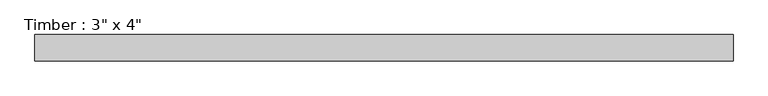
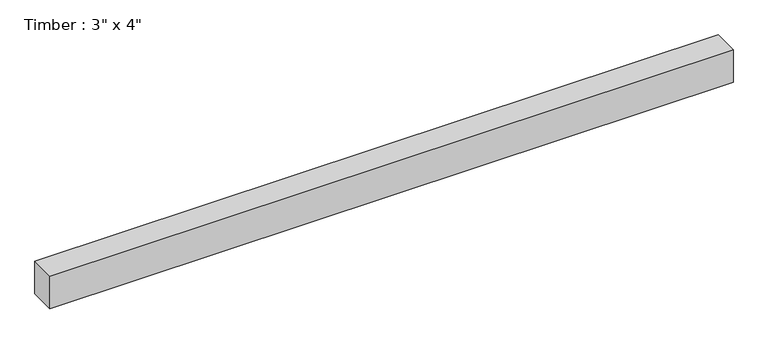
"""IFC4 building model written with IfcOpenShell, lengths in millimetres: beam geometry."""

import ifcopenshell
import ifcopenshell.guid

model = None  # the IFC model being written
_history = None  # IfcOwnerHistory: only IFC2X3 demands one
_inside = {}  # id of a spatial element -> (the spatial element, [elements in it])
_under = {}  # id of a project, library or spatial element -> (it, [spatial elements below it])
_declared = {}  # id of a project -> (the project, [libraries it declares])
_typed = {}  # id of a type object -> (the type object, [elements of that type])
_made_of = {}  # id of a material, layer set ... -> (it, [elements and type objects made of it])


def new_model(schema):
    """Start an empty IFC model of exactly this schema.

    Asked for "IFC4X3", IfcOpenShell would pick the latest addendum, in which some entities
    have other attributes; the version numbers below select the first issue.
    IFC2X3 requires an IfcOwnerHistory on every rooted entity: one is made here for all.
    """
    global model, _history
    if schema == "IFC4X3":
        model = ifcopenshell.file(schema_version=(4, 3, 0, 0))
    else:
        model = ifcopenshell.file(schema=schema)
    _inside.clear()
    _under.clear()
    _declared.clear()
    _typed.clear()
    _made_of.clear()
    _history = None
    if model.schema == "IFC2X3":
        org = make("IfcOrganization", Name="unknown")
        user = make(
            "IfcPersonAndOrganization",
            ThePerson=make("IfcPerson", FamilyName="unknown"),
            TheOrganization=org,
        )
        app = make(
            "IfcApplication",
            ApplicationDeveloper=org,
            Version="unknown",
            ApplicationFullName="unknown",
            ApplicationIdentifier="unknown",
        )
        _history = make(
            "IfcOwnerHistory",
            OwningUser=user,
            OwningApplication=app,
            ChangeAction="ADDED",
            CreationDate=0,
        )
    return model


def make(cls, **values):
    """One entity of the class cls with the attributes given. An attribute that is None is left unset."""
    return model.create_entity(
        cls, **{name: value for name, value in values.items() if value is not None}
    )


def rooted(cls, **values):
    """An entity with a GlobalId (a new one), such as an element, a storey or a relation."""
    return make(cls, GlobalId=ifcopenshell.guid.new(), OwnerHistory=_history, **values)


def si_unit(unit_type, name, prefix=None):
    """IfcSIUnit, for example si_unit("LENGTHUNIT", "METRE", prefix="MILLI")."""
    return make("IfcSIUnit", UnitType=unit_type, Prefix=prefix, Name=name)


def assignment(units):
    """IfcUnitAssignment: the units of a project."""
    return None if units is None else make("IfcUnitAssignment", Units=units)


def point(xyz):
    """IfcCartesianPoint."""
    return None if xyz is None else make("IfcCartesianPoint", Coordinates=xyz)


def direction(xyz):
    """IfcDirection."""
    return None if xyz is None else make("IfcDirection", DirectionRatios=xyz)


def frame(location, z_axis=None, x_axis=None):
    """IfcAxis2Placement3D, a coordinate frame: its origin and axes. An axis left out is left unset."""
    return make(
        "IfcAxis2Placement3D",
        Location=point(location),
        Axis=direction(z_axis),
        RefDirection=direction(x_axis),
    )


def origin():
    """The frame at (0, 0, 0) with its axes left unset."""
    return frame((0.0, 0.0, 0.0))


def place(relative_to, where):
    """IfcLocalPlacement: puts the frame where relative to a parent placement (None: the world)."""
    return make(
        "IfcLocalPlacement", PlacementRelTo=relative_to, RelativePlacement=where
    )


def context(
    kind, dimensions, precision=None, world=None, true_north=None, identifier=None
):
    """IfcGeometricRepresentationContext, for example the 3D "Model" context."""
    return make(
        "IfcGeometricRepresentationContext",
        ContextIdentifier=identifier,
        ContextType=kind,
        CoordinateSpaceDimension=dimensions,
        Precision=precision,
        WorldCoordinateSystem=world,
        TrueNorth=true_north,
    )


def project(units=None, contexts=None):
    """IfcProject with its units and contexts."""
    return rooted(
        "IfcProject",
        Name="project",
        RepresentationContexts=contexts,
        UnitsInContext=assignment(units),
    )


def spatial(cls, under=None, at=None, **own):
    """A site, building, storey or space (cls), placed at a placement, below another one or the project."""
    s = rooted(cls, ObjectPlacement=at, **own)
    if under is not None:
        _under.setdefault(under.id(), (under, []))[1].append(s)
    return s


def polyline(points):
    """IfcPolyline through the points."""
    return make("IfcPolyline", Points=[point(p) for p in points])


def outline(outer, holes=None, kind="AREA"):
    """IfcArbitraryClosedProfileDef: a profile drawn as a closed curve; with holes, ...WithVoids."""
    if holes is None:
        return make("IfcArbitraryClosedProfileDef", ProfileType=kind, OuterCurve=outer)
    return make(
        "IfcArbitraryProfileDefWithVoids",
        ProfileType=kind,
        OuterCurve=outer,
        InnerCurves=holes,
    )


def extrude(swept, where, along, depth):
    """IfcExtrudedAreaSolid: the profile swept, set in the frame where, extruded along a direction by depth."""
    return make(
        "IfcExtrudedAreaSolid",
        SweptArea=swept,
        Position=where,
        ExtrudedDirection=direction(along),
        Depth=depth,
    )


def shape(context_of_items, identifier, shape_type, items):
    """IfcShapeRepresentation: the items that make up one representation, for example the "Body"."""
    return make(
        "IfcShapeRepresentation",
        ContextOfItems=context_of_items,
        RepresentationIdentifier=identifier,
        RepresentationType=shape_type,
        Items=items,
    )


def source(mapping_origin, context_of_items, identifier, shape_type, items):
    """IfcRepresentationMap: a shape defined once, which mapped items show again and again."""
    return make(
        "IfcRepresentationMap",
        MappingOrigin=mapping_origin,
        MappedRepresentation=shape(context_of_items, identifier, shape_type, items),
    )


def transform(
    local_origin,
    x_axis=None,
    y_axis=None,
    z_axis=None,
    scale=None,
    scale2=None,
    scale3=None,
    uniform=True,
):
    """IfcCartesianTransformationOperator3D, or its non-uniform kind. x_axis, y_axis, z_axis: its Axis1, 2, 3."""
    if uniform:
        return make(
            "IfcCartesianTransformationOperator3D",
            Axis1=direction(x_axis),
            Axis2=direction(y_axis),
            LocalOrigin=point(local_origin),
            Scale=scale,
            Axis3=direction(z_axis),
        )
    return make(
        "IfcCartesianTransformationOperator3DnonUniform",
        Axis1=direction(x_axis),
        Axis2=direction(y_axis),
        LocalOrigin=point(local_origin),
        Scale=scale,
        Axis3=direction(z_axis),
        Scale2=scale2,
        Scale3=scale3,
    )


def mapped(mapping_source, mapping_target):
    """IfcMappedItem: shows the shape of a source again, moved by a transform."""
    return make(
        "IfcMappedItem", MappingSource=mapping_source, MappingTarget=mapping_target
    )


def made_of(thing, what):
    """Note that an element or type object is made of a material, layer set ...; save() writes the relation."""
    if what is not None:
        _made_of.setdefault(what.id(), (what, []))[1].append(thing)
    return thing


def element(
    cls,
    number,
    at=None,
    inside=None,
    cuts=None,
    type_object=None,
    material=None,
    context=None,
    identifier="Body",
    shape_type=None,
    held_by="IfcProductDefinitionShape",
    body=None,
    shapes=None,
    **own,
):
    """One element of the class cls, such as IfcWall. Its Tag is "e" and its number.

    at: its placement. inside: the storey or other place that contains it. cuts: it is an
    opening in that element (IfcRelVoidsElement). A single representation is given by context,
    identifier, shape_type and body (its items); several are given by shapes. held_by: the class
    of the entity that holds the representations. save() writes the other relations.
    """
    e = rooted(cls, Tag="e%d" % number, ObjectPlacement=at, **own)
    if body is not None:
        shapes = [shape(context, identifier, shape_type, body)]
    if shapes is not None:
        e.Representation = make(held_by, Representations=shapes)
    if inside is not None:
        _inside.setdefault(inside.id(), (inside, []))[1].append(e)
    if cuts is not None:
        rooted(
            "IfcRelVoidsElement", RelatingBuildingElement=cuts, RelatedOpeningElement=e
        )
    if type_object is not None:
        _typed.setdefault(type_object.id(), (type_object, []))[1].append(e)
    return made_of(e, material)


def aggregate(whole, parts):
    """IfcRelAggregates: a whole, such as a stair, and the parts it consists of."""
    return rooted("IfcRelAggregates", RelatingObject=whole, RelatedObjects=parts)


def save(model, path):
    """Write the relations noted so far, then the file.

    IfcRelAggregates (storeys below a building ...), IfcRelContainedInSpatialStructure (elements
    in a storey), IfcRelDefinesByType, IfcRelAssociatesMaterial and IfcRelDeclares: one each for
    every whole, place, type object, material and project.
    """
    for whole, parts in _under.values():
        aggregate(whole, parts)
    for where, things in _inside.values():
        rooted(
            "IfcRelContainedInSpatialStructure",
            RelatedElements=things,
            RelatingStructure=where,
        )
    for kind, things in _typed.values():
        rooted("IfcRelDefinesByType", RelatedObjects=things, RelatingType=kind)
    for what, things in _made_of.values():
        rooted("IfcRelAssociatesMaterial", RelatedObjects=things, RelatingMaterial=what)
    for by, libraries in _declared.values():
        rooted("IfcRelDeclares", RelatingContext=by, RelatedDefinitions=libraries)
    model.write(path)


def beam_ec317f6f(model_context):
    return source(origin(), model_context, "Body", "SweptSolid", [
        extrude(outline(polyline([(1004.6256256, -38.1), (-1004.6256256, -38.1), (-1004.6256256, 38.1), (1004.6256256, 38.1), (1004.6256256, -38.1)])), frame((0.0, 0.0, -50.8), z_axis=(0.0, 0.0, 1.0), x_axis=(1.0, 0.0, 0.0)), (0.0, 0.0, 1.0), 101.6),
    ])


if __name__ == "__main__":
    model = new_model("IFC4")
    model_context = context("Model", 3, world=origin())
    ifc_project = project(units=[si_unit("LENGTHUNIT", "METRE", prefix="MILLI")], contexts=[model_context])
    site = spatial("IfcSite", under=ifc_project)
    building = spatial("IfcBuilding", under=site)
    placement = place(None, origin())
    beam_shape = beam_ec317f6f(model_context)
    element("IfcBeam", 1, ObjectType="Timber : 3\" x 4\"", at=placement, inside=building, context=model_context, shape_type="MappedRepresentation", body=[
        mapped(beam_shape, transform((0.0, 0.0, 0.0), x_axis=(1.0, 0.0, 0.0), y_axis=(0.0, 1.0, 0.0), z_axis=(0.0, 0.0, 1.0))),
    ])
    save(model, "model.ifc")
